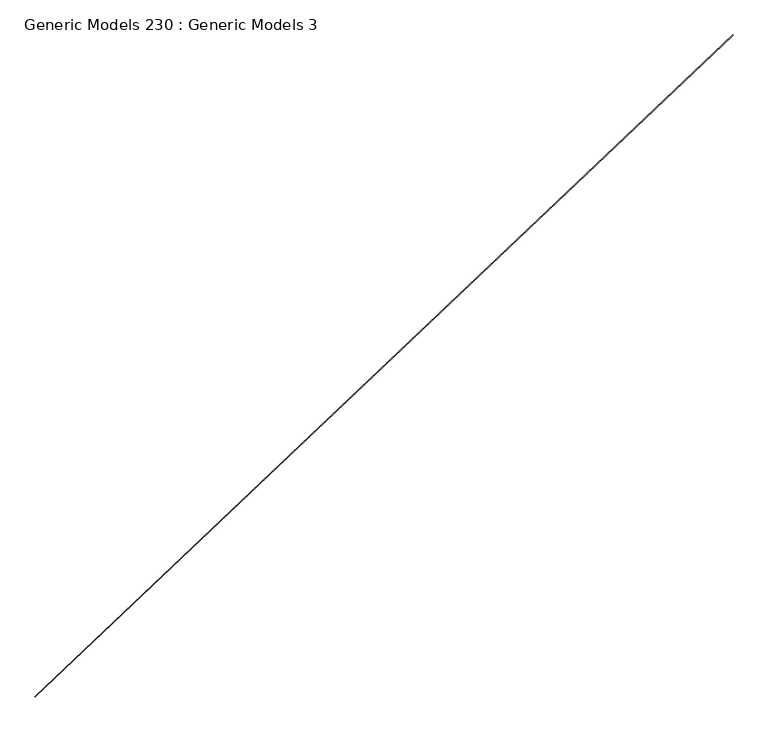
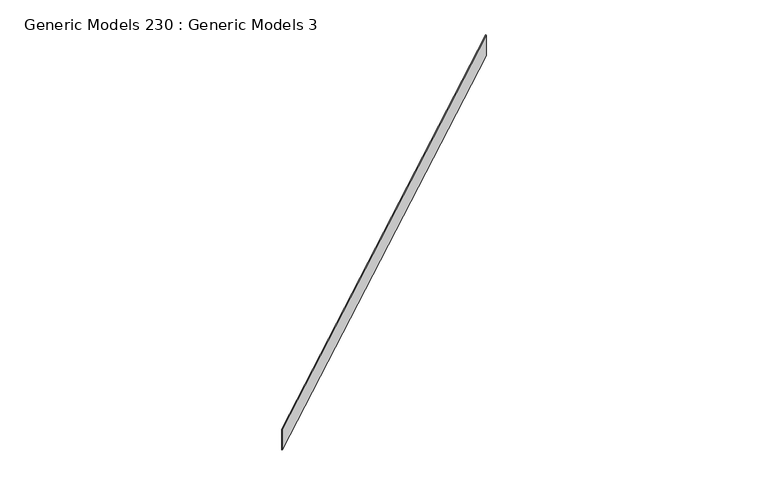
"""IFC4 building model written with IfcOpenShell, lengths in millimetres: proxy geometry, Generic Models 230 : Generic Models 3."""

from ifc_helpers import new_model, si_unit, frame, origin, place, context, project, spatial, polyline, outline, extrude, source, transform, mapped, element, save


def generic_models_230_generic_models_3_094bd315(model_context):
    return source(origin(), model_context, "Body", "SweptSolid", [
        extrude(outline(polyline([(115973.7197884, 53048.5474501), (115975.9053142, 53046.2443865), (109939.5755453, 47317.9813228), (109937.3900196, 47320.2843864), (115973.7197884, 53048.5474501)])), frame((0.0, 0.0, 18109.2189541), z_axis=(0.0, 0.0, 1.0), x_axis=(1.0, 0.0, 0.0)), (0.0, 0.0, 1.0), 291.6750898),
    ])


if __name__ == "__main__":
    model = new_model("IFC4")
    model_context = context("Model", 3, world=origin())
    ifc_project = project(units=[si_unit("LENGTHUNIT", "METRE", prefix="MILLI")], contexts=[model_context])
    site = spatial("IfcSite", under=ifc_project)
    building = spatial("IfcBuilding", under=site)
    placement = place(None, origin())
    generic_models_230_generic_models_3_shape = generic_models_230_generic_models_3_094bd315(model_context)
    element("IfcBuildingElementProxy", 1, Name="Generic Models 230 : Generic Models 3", ObjectType="Generic Models 230 : Generic Models 3", at=placement, inside=building, context=model_context, shape_type="MappedRepresentation", body=[
        mapped(generic_models_230_generic_models_3_shape, transform((0.0, 0.0, 0.0), x_axis=(1.0, 0.0, 0.0), y_axis=(0.0, 1.0, 0.0), z_axis=(0.0, 0.0, 1.0))),
    ])
    save(model, "model.ifc")
